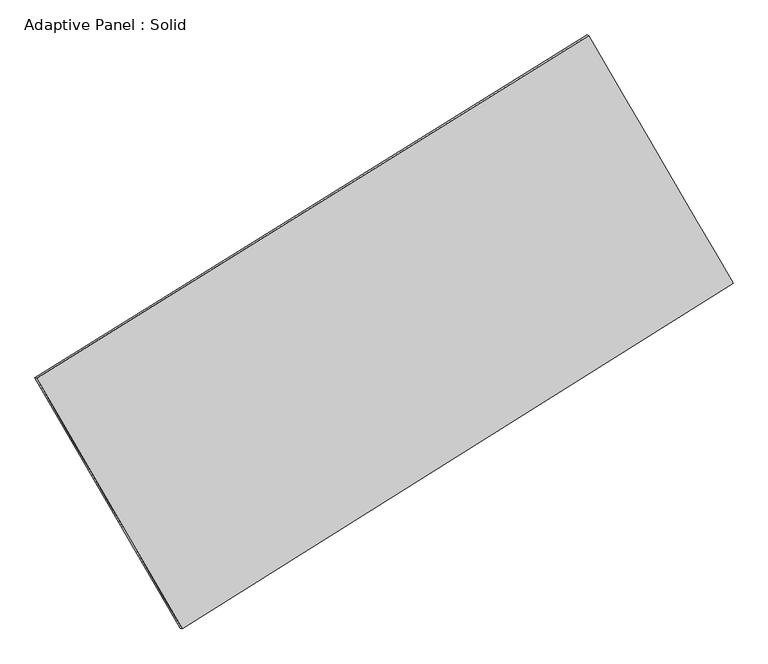
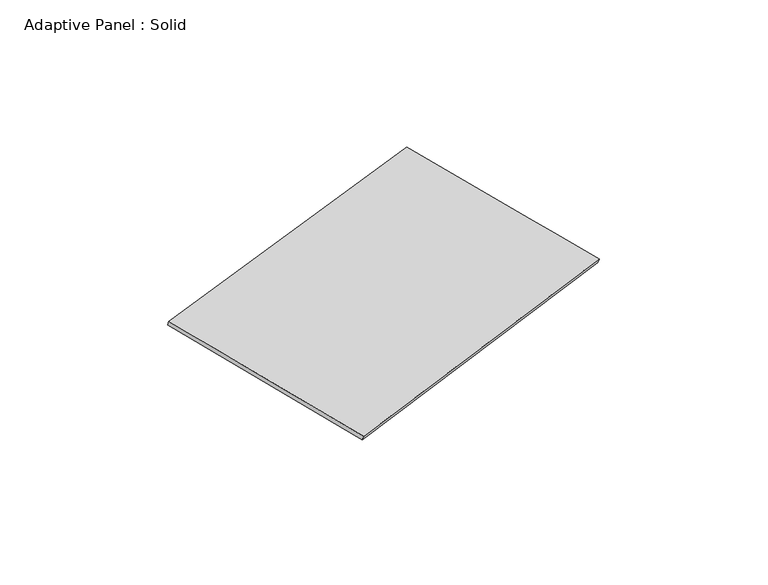
"""IFC4 building model written with IfcOpenShell, lengths in millimetres: plate geometry, Adaptive Panel : Solid."""

from ifc_helpers import new_model, si_unit, frame, origin, place, context, project, spatial, source, transform, mapped, element, save
from ifc_brep_helpers import plane_surface, spline_surface, advanced_brep


def adaptive_panel_solid_9a09d109(model_context):
    return source(origin(), model_context, "Body", "AdvancedBrep", [
        advanced_brep(
        [(1159.3457804, 2530.8649106, 658.388144), (-3749.9567122, -516.4978109, 1781.3803865), (-3735.2903564, -522.8779044, 1828.7532945), (1174.0121362, 2524.4848172, 705.761052), (-2455.5807211, -2744.165219, 1067.2065271), (-2440.9143653, -2750.5453124, 1114.5794351), (2442.9010748, 329.5495464, -21.8525373), (2457.5674306, 323.169453, 25.5203707)],
        [
            (0, 1),
            (1, 2),
            (2, 3),
            (3, 0),
            (1, 4),
            (4, 5),
            (5, 2),
            (4, 6),
            (6, 7),
            (7, 5),
            (6, 0),
            (3, 7),
        ],
        [
            plane_surface(frame((-1295.3054659, 1007.1835498, 1219.8842652), z_axis=(-0.4661585696381526, 0.8461607946956368, 0.2582791076973908), x_axis=(-0.8340187332230095, -0.5177023824788671, 0.19077996700070857))),
            plane_surface(frame((-3102.7687167, -1630.331515, 1424.2934568), z_axis=(-0.8235354712020337, -0.5370616851154191, 0.18263097780231918), x_axis=(0.4841383949367878, -0.8332195055845125, -0.26712407241117697))),
            plane_surface(frame((-6.3398231, -1207.3078363, 522.6769949), z_axis=(0.47127104021041893, -0.842970077907895, -0.2594321768997587), x_axis=(0.8324193658808898, 0.5223291220670909, -0.18506833210217116))),
            plane_surface(frame((1801.1234276, 1430.2072285, 318.2678033), z_axis=(0.8237113786675785, 0.5367594641370628, -0.18272614020126005), x_axis=(-0.4866691653193576, 0.834644456322594, 0.257918116962189))),
            spline_surface(1, 1, [[(-3735.2903564, -522.8779044, 1828.7532945), (1174.0121362, 2524.4848172, 705.761052)], [(-2440.9143653, -2750.5453124, 1114.5794351), (2457.5674306, 323.169453, 25.5203707)]], [2, 2], [2, 2], [0.0, 1.0], [0.0, 1.0]),
            spline_surface(1, 1, [[(2442.9010748, 329.5495464, -21.8525373), (1159.3457804, 2530.8649106, 658.388144)], [(-2455.5807211, -2744.165219, 1067.2065271), (-3749.9567122, -516.4978109, 1781.3803865)]], [2, 2], [2, 2], [0.0, 1.0], [0.0, 1.0]),
        ],
        [
            (0, [[1, 2, 3, 4]]),
            (1, [[5, 6, 7, -2]]),
            (2, [[8, 9, 10, -6]]),
            (3, [[11, -4, 12, -9]]),
            (4, [[-3, -7, -10, -12]]),
            (5, [[-11, -8, -5, -1]]),
        ],
    ),
    ])


if __name__ == "__main__":
    model = new_model("IFC4")
    model_context = context("Model", 3, world=origin())
    ifc_project = project(units=[si_unit("LENGTHUNIT", "METRE", prefix="MILLI")], contexts=[model_context])
    site = spatial("IfcSite", under=ifc_project)
    building = spatial("IfcBuilding", under=site)
    placement = place(None, origin())
    adaptive_panel_solid_shape = adaptive_panel_solid_9a09d109(model_context)
    element("IfcPlate", 1, ObjectType="Adaptive Panel : Solid", at=placement, inside=building, context=model_context, shape_type="MappedRepresentation", body=[
        mapped(adaptive_panel_solid_shape, transform((0.0, 0.0, 0.0), x_axis=(1.0, 0.0, 0.0), y_axis=(0.0, 1.0, 0.0), z_axis=(0.0, 0.0, 1.0))),
    ])
    save(model, "model.ifc")
